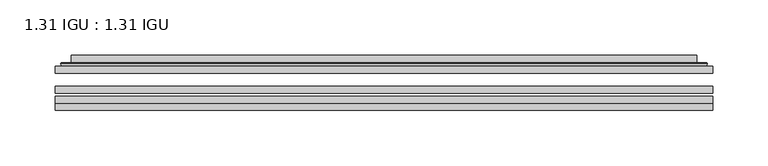
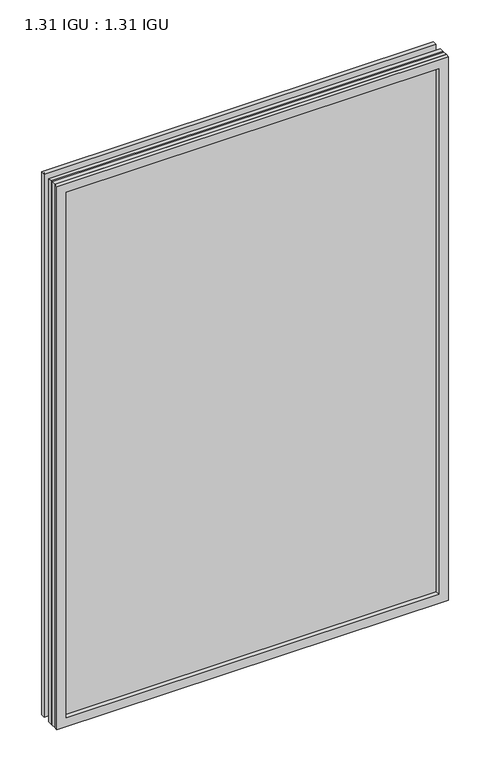
"""IFC4 building model written with IfcOpenShell, lengths in millimetres: plate geometry, 1.31 IGU : 1.31 IGU."""

from ifc_helpers import new_model, si_unit, frame, origin, place, context, project, spatial, polyline, ellipse_curve, outline, extrude, faceted_brep, source, transform, mapped, element, save
from ifc_brep_helpers import plane_surface, cylinder_surface, advanced_brep


def plate_1_31_igu_1_31_igu_2326869b(model_context):
    return source(origin(), model_context, "Body", "SolidModel", [
        extrude(outline(polyline([(296.8798663, -63.59525), (296.8798663, -69.94525), (-296.8656913, -69.94525), (-296.8656913, -63.59525), (296.8798663, -63.59525)])), frame((0.0, 0.0, -14.2875), z_axis=(0.0, 0.0, 1.0), x_axis=(1.0, 0.0, 0.0)), (0.0, 0.0, 1.0), 869.9537979),
        extrude(outline(polyline([(-296.8656913, -78.58125), (-296.8656913, -72.230745), (296.8798663, -72.230745), (296.8798663, -78.58125), (-296.8656913, -78.58125)])), frame((0.0, 0.0, -14.2875), z_axis=(0.0, 0.0, 1.0), x_axis=(1.0, 0.0, 0.0)), (0.0, 0.0, 1.0), 869.9537979),
        extrude(outline(polyline([(296.8798663, -45.25645), (296.8798663, -51.60645), (-296.8656913, -51.60645), (-296.8656913, -45.25645), (296.8798663, -45.25645)])), frame((0.0, 0.0, -14.2875), z_axis=(0.0, 0.0, 1.0), x_axis=(1.0, 0.0, 0.0)), (0.0, 0.0, 1.0), 869.9537979),
        faceted_brep([(-296.8783913, -84.93125, 855.6752), (-296.8783913, -78.58125, 855.6752), (-296.8783913, -78.58125, -14.3002), (-296.8783913, -84.93125, -14.3002), (296.8783913, -78.58125, -14.3002), (296.8783913, -84.93125, -14.3002), (296.8783913, -78.58125, 855.6752), (296.8783913, -84.93125, 855.6752), (-281.6804472, -78.58125, 0.8977441), (281.6804472, -78.58125, 0.8977441), (281.6804472, -78.58125, 840.4772559), (-281.6804472, -78.58125, 840.4772559), (-282.5728815, -84.93125, 841.3696902), (282.5728815, -84.93125, 841.3696902), (282.5728815, -84.93125, 0.0053098), (-282.5728815, -84.93125, 0.0053098)], [[[0, 1, 2, 3]], [[3, 2, 4, 5]], [[5, 4, 6, 7]], [[1, 6, 4, 2], [8, 9, 10, 11]], [[7, 6, 1, 0]], [[3, 5, 7, 0], [12, 13, 14, 15]], [[11, 12, 15, 8]], [[8, 15, 14, 9]], [[9, 14, 13, 10]], [[10, 13, 12, 11]]]),
        advanced_brep(
        [(-289.6244103, -45.25645, 848.4212191), (-291.9786157, -43.2667833, 850.7754244), (-291.9786157, -43.2667833, -9.4004244), (-289.6244103, -45.25645, -7.046219), (-280.5500852, -41.416413, 839.3468939), (-275.6152534, -45.25645, 834.4120621), (-275.6152534, -45.25645, 6.9629379), (-280.5500852, -41.416413, 2.0281061), (-281.582113, -36.0191819, 840.3789217), (-281.582113, -36.0191819, 0.9960783), (-282.5727697, -35.6202069, 841.3695784), (-282.5727697, -35.6202069, 0.0054216), (-282.5727697, -42.08145, 841.3695784), (-282.5727697, -42.08145, 0.0054216), (-290.9768262, -42.08145, 849.7736349), (-290.9768262, -42.08145, -8.3986349), (291.9786157, -43.2667833, -9.4004244), (289.6244103, -45.25645, -7.046219), (275.6152534, -45.25645, 6.9629379), (280.5500852, -41.416413, 2.0281061), (281.582113, -36.0191819, 0.9960783), (282.5727697, -35.6202069, 0.0054216), (282.5727697, -42.08145, 0.0054216), (290.9768262, -42.08145, -8.3986349), (291.9786157, -43.2667833, 850.7754244), (289.6244103, -45.25645, 848.4212191), (275.6152534, -45.25645, 834.4120621), (280.5500852, -41.416413, 839.3468939), (281.582113, -36.0191819, 840.3789217), (282.5727697, -35.6202069, 841.3695784), (282.5727697, -42.08145, 841.3695784), (290.9768262, -42.08145, 849.7736349)],
        [
            (0, 1, ellipse_curve(frame((-289.6244103, -42.86885, 848.4212191), z_axis=(-0.7071067811865475, 0.0, -0.7071067811865475), x_axis=(-0.7071067811865474, 0.0, 0.7071067811865476)), 3.3765763, 2.3876)),
            (1, 2),
            (2, 3, ellipse_curve(frame((-289.6244103, -42.86885, -7.046219), z_axis=(-0.7071067811865475, 0.0, 0.7071067811865475), x_axis=(0.7071067811865474, 0.0, 0.7071067811865476)), 3.3765763, 2.3876)),
            (3, 0),
            (4, 5),
            (5, 6),
            (6, 7),
            (7, 4),
            (8, 4),
            (7, 9),
            (9, 8),
            (10, 8, ellipse_curve(frame((-282.2058132, -36.1384423, 841.0026219), z_axis=(-0.7071067811865475, 0.0, -0.7071067811865475), x_axis=(-0.7071067811865474, 0.0, 0.7071067811865476)), 0.8980256, 0.635)),
            (9, 11, ellipse_curve(frame((-282.2058132, -36.1384423, 0.3723781), z_axis=(-0.7071067811865475, 0.0, 0.7071067811865475), x_axis=(0.7071067811865474, 0.0, 0.7071067811865476)), 0.8980256, 0.635)),
            (11, 10),
            (12, 10),
            (11, 13),
            (13, 12),
            (1, 14, ellipse_curve(frame((-290.9768262, -43.09745, 849.7736349), z_axis=(-0.7071067811865475, 0.0, -0.7071067811865475), x_axis=(-0.7071067811865474, 0.0, 0.7071067811865476)), 1.436841, 1.016)),
            (14, 15),
            (15, 2, ellipse_curve(frame((-290.9768262, -43.09745, -8.3986349), z_axis=(-0.7071067811865475, 0.0, 0.7071067811865475), x_axis=(0.7071067811865474, 0.0, 0.7071067811865476)), 1.436841, 1.016)),
            (2, 16),
            (16, 17, ellipse_curve(frame((289.6244103, -42.86885, -7.046219), z_axis=(-0.7071067811865475, 0.0, -0.7071067811865475), x_axis=(-0.7071067811865476, 0.0, 0.7071067811865474)), 3.3765763, 2.3876)),
            (17, 3),
            (6, 18),
            (18, 19),
            (19, 7),
            (19, 20),
            (20, 9),
            (20, 21, ellipse_curve(frame((282.2058132, -36.1384423, 0.3723781), z_axis=(-0.7071067811865475, 0.0, -0.7071067811865475), x_axis=(-0.7071067811865476, 0.0, 0.7071067811865474)), 0.8980256, 0.635)),
            (21, 11),
            (21, 22),
            (22, 13),
            (15, 23),
            (23, 16, ellipse_curve(frame((290.9768262, -43.09745, -8.3986349), z_axis=(-0.7071067811865475, 0.0, -0.7071067811865475), x_axis=(-0.7071067811865476, 0.0, 0.7071067811865474)), 1.436841, 1.016)),
            (16, 24),
            (24, 25, ellipse_curve(frame((289.6244103, -42.86885, 848.4212191), z_axis=(0.7071067811865475, 0.0, -0.7071067811865475), x_axis=(-0.7071067811865474, 0.0, -0.7071067811865476)), 3.3765763, 2.3876)),
            (25, 17),
            (18, 26),
            (26, 27),
            (27, 19),
            (27, 28),
            (28, 20),
            (28, 29, ellipse_curve(frame((282.2058132, -36.1384423, 841.0026219), z_axis=(0.7071067811865475, 0.0, -0.7071067811865475), x_axis=(-0.7071067811865474, 0.0, -0.7071067811865476)), 0.8980256, 0.635)),
            (29, 21),
            (29, 30),
            (30, 22),
            (23, 31),
            (31, 24, ellipse_curve(frame((290.9768262, -43.09745, 849.7736349), z_axis=(0.7071067811865475, 0.0, -0.7071067811865475), x_axis=(-0.7071067811865474, 0.0, -0.7071067811865476)), 1.436841, 1.016)),
            (24, 1),
            (0, 25),
            (5, 26),
            (4, 27),
            (8, 28),
            (10, 29),
            (12, 30),
            (14, 31),
        ],
        [
            cylinder_surface(frame((-289.6244103, -42.86885, 873.125), z_axis=(0.0, 0.0, 1.0), x_axis=(-1.0, 0.0, 0.0)), 2.3876),
            plane_surface(frame((-275.6152534, -45.25645, 834.4120621), z_axis=(0.6141233906514794, 0.7892100234124821, 0.0), x_axis=(0.0, 0.0, -1.0))),
            plane_surface(frame((-280.5500852, -41.416413, 839.3468939), z_axis=(0.9822050625507729, 0.18781164793386076, 0.0), x_axis=(0.0, 0.0, -1.0))),
            cylinder_surface(frame((-282.2058132, -36.1384423, 873.125), z_axis=(0.0, 0.0, 1.0), x_axis=(-1.0, 0.0, 0.0)), 0.635),
            plane_surface(frame((-282.5727697, -35.6202069, 841.3695784), z_axis=(-1.0, 0.0, 0.0), x_axis=(0.0, 0.0, -1.0))),
            cylinder_surface(frame((-290.9768262, -43.09745, 873.125), z_axis=(0.0, 0.0, 1.0), x_axis=(-1.0, 0.0, 0.0)), 1.016),
            cylinder_surface(frame((-314.3281913, -42.86885, -7.046219), z_axis=(-1.0, 0.0, 0.0), x_axis=(0.0, 0.0, -1.0)), 2.3876),
            plane_surface(frame((-275.6152534, -45.25645, 6.9629379), z_axis=(0.0, 0.7892100234124841, 0.6141233906514768), x_axis=(1.0, 0.0, 0.0))),
            plane_surface(frame((-280.5500852, -41.416413, 2.0281061), z_axis=(0.0, 0.18781164793386393, 0.9822050625507723), x_axis=(1.0, 0.0, 0.0))),
            cylinder_surface(frame((-314.3281913, -36.1384423, 0.3723781), z_axis=(-1.0, 0.0, 0.0), x_axis=(0.0, 0.0, -1.0)), 0.635),
            plane_surface(frame((-282.5727697, -35.6202069, 0.0054216), z_axis=(0.0, 0.0, -1.0), x_axis=(1.0, 0.0, 0.0))),
            cylinder_surface(frame((-314.3281913, -43.09745, -8.3986349), z_axis=(-1.0, 0.0, 0.0), x_axis=(0.0, 0.0, -1.0)), 1.016),
            cylinder_surface(frame((289.6244103, -42.86885, -31.75), z_axis=(0.0, 0.0, -1.0), x_axis=(1.0, 0.0, 0.0)), 2.3876),
            plane_surface(frame((275.6152534, -45.25645, 6.9629379), z_axis=(-0.6141233906514743, 0.7892100234124861, 0.0), x_axis=(0.0, 0.0, 1.0))),
            plane_surface(frame((280.5500852, -41.416413, 2.0281061), z_axis=(-0.9822050625507718, 0.1878116479338671, 0.0), x_axis=(0.0, 0.0, 1.0))),
            cylinder_surface(frame((282.2058132, -36.1384423, -31.75), z_axis=(0.0, 0.0, -1.0), x_axis=(1.0, 0.0, 0.0)), 0.635),
            plane_surface(frame((282.5727697, -35.6202069, 0.0054216), z_axis=(1.0, 0.0, 0.0), x_axis=(0.0, 0.0, 1.0))),
            cylinder_surface(frame((290.9768262, -43.09745, -31.75), z_axis=(0.0, 0.0, -1.0), x_axis=(1.0, 0.0, 0.0)), 1.016),
            cylinder_surface(frame((314.3281913, -42.86885, 848.4212191), z_axis=(1.0, 0.0, 0.0), x_axis=(0.0, 0.0, 1.0)), 2.3876),
            plane_surface(frame((289.6244103, -45.25645, 848.4212191), z_axis=(0.0, -1.0, 0.0), x_axis=(-1.0, 0.0, 0.0))),
            plane_surface(frame((275.6152534, -45.25645, 834.4120621), z_axis=(0.0, 0.7892100234124841, -0.6141233906514768), x_axis=(-1.0, 0.0, 0.0))),
            plane_surface(frame((280.5500852, -41.416413, 839.3468939), z_axis=(0.0, 0.18781164793386393, -0.9822050625507723), x_axis=(-1.0, 0.0, 0.0))),
            cylinder_surface(frame((314.3281913, -36.1384423, 841.0026219), z_axis=(1.0, 0.0, 0.0), x_axis=(0.0, 0.0, 1.0)), 0.635),
            plane_surface(frame((282.5727697, -35.6202069, 841.3695784), z_axis=(0.0, 0.0, 1.0), x_axis=(-1.0, 0.0, 0.0))),
            plane_surface(frame((282.5727697, -42.08145, 841.3695784), z_axis=(0.0, 1.0, 0.0), x_axis=(-1.0, 0.0, 0.0))),
            cylinder_surface(frame((314.3281913, -43.09745, 849.7736349), z_axis=(1.0, 0.0, 0.0), x_axis=(0.0, 0.0, 1.0)), 1.016),
        ],
        [
            (0, [[1, 2, 3, 4]]),
            (1, [[5, 6, 7, 8]]),
            (2, [[9, -8, 10, 11]]),
            (3, [[12, -11, 13, 14]]),
            (4, [[15, -14, 16, 17]]),
            (5, [[18, 19, 20, -2]]),
            (6, [[-3, 21, 22, 23]]),
            (7, [[-7, 24, 25, 26]]),
            (8, [[-10, -26, 27, 28]]),
            (9, [[-13, -28, 29, 30]]),
            (10, [[-16, -30, 31, 32]]),
            (11, [[-20, 33, 34, -21]]),
            (12, [[-22, 35, 36, 37]]),
            (13, [[-25, 38, 39, 40]]),
            (14, [[-27, -40, 41, 42]]),
            (15, [[-29, -42, 43, 44]]),
            (16, [[-31, -44, 45, 46]]),
            (17, [[-34, 47, 48, -35]]),
            (18, [[-36, 49, -1, 50]]),
            (19, [[-23, -37, -50, -4], [51, -38, -24, -6]]),
            (20, [[-39, -51, -5, 52]]),
            (21, [[-41, -52, -9, 53]]),
            (22, [[-43, -53, -12, 54]]),
            (23, [[-45, -54, -15, 55]]),
            (24, [[56, -47, -33, -19], [-32, -46, -55, -17]]),
            (25, [[-48, -56, -18, -49]]),
        ],
    ),
    ])


if __name__ == "__main__":
    model = new_model("IFC4")
    model_context = context("Model", 3, world=origin())
    ifc_project = project(units=[si_unit("LENGTHUNIT", "METRE", prefix="MILLI")], contexts=[model_context])
    site = spatial("IfcSite", under=ifc_project)
    building = spatial("IfcBuilding", under=site)
    placement = place(None, origin())
    plate_1_31_igu_1_31_igu_shape = plate_1_31_igu_1_31_igu_2326869b(model_context)
    element("IfcPlate", 1, ObjectType="1.31 IGU : 1.31 IGU", at=placement, inside=building, context=model_context, shape_type="MappedRepresentation", body=[
        mapped(plate_1_31_igu_1_31_igu_shape, transform((0.0, 0.0, 0.0), x_axis=(1.0, 0.0, 0.0), y_axis=(0.0, 1.0, 0.0), z_axis=(0.0, 0.0, 1.0))),
    ])
    save(model, "model.ifc")
